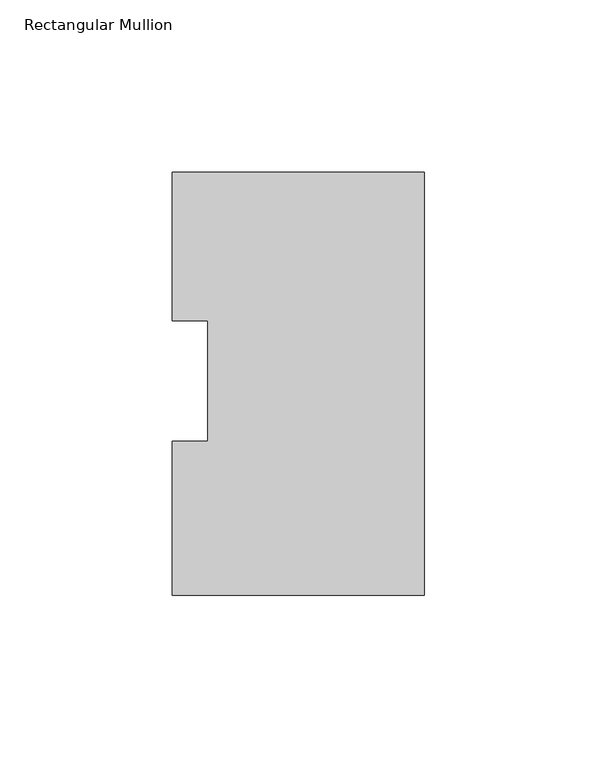
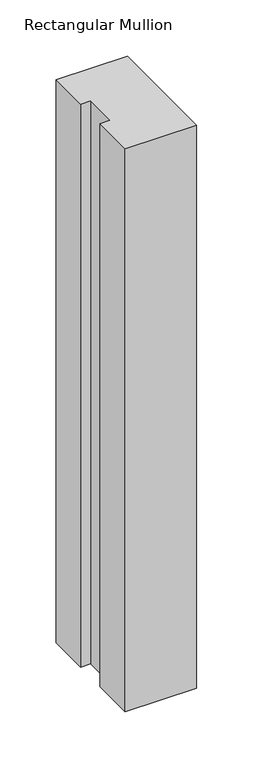
"""IFC4 building model written with IfcOpenShell, lengths in millimetres: member geometry, Rectangular Mullion."""

from ifc_helpers import new_model, si_unit, frame, origin, place, context, project, spatial, polyline, outline, extrude, source, transform, mapped, element, save


def rectangular_mullion_95605b7e(model_context):
    return source(origin(), model_context, "Body", "SweptSolid", [
        extrude(outline(polyline([(0.0, 117.5682549), (0.0, -5.0375451), (-73.025, -5.0375451), (-73.025, 39.620825), (-62.7126, 39.620825), (-62.7126, 74.596625), (-73.025, 74.596625), (-73.025, 117.5682549), (0.0, 117.5682549)])), frame((0.0, 0.0, -609.6), z_axis=(0.0, 0.0, 1.0), x_axis=(1.0, 0.0, 0.0)), (0.0, 0.0, 1.0), 609.6),
    ])


if __name__ == "__main__":
    model = new_model("IFC4")
    model_context = context("Model", 3, world=origin())
    ifc_project = project(units=[si_unit("LENGTHUNIT", "METRE", prefix="MILLI")], contexts=[model_context])
    site = spatial("IfcSite", under=ifc_project)
    building = spatial("IfcBuilding", under=site)
    placement = place(None, origin())
    rectangular_mullion_shape = rectangular_mullion_95605b7e(model_context)
    element("IfcMember", 1, ObjectType="Rectangular Mullion", at=placement, inside=building, context=model_context, shape_type="MappedRepresentation", body=[
        mapped(rectangular_mullion_shape, transform((0.0, 0.0, 0.0), x_axis=(1.0, 0.0, 0.0), y_axis=(0.0, 1.0, 0.0), z_axis=(0.0, 0.0, 1.0))),
    ])
    save(model, "model.ifc")
